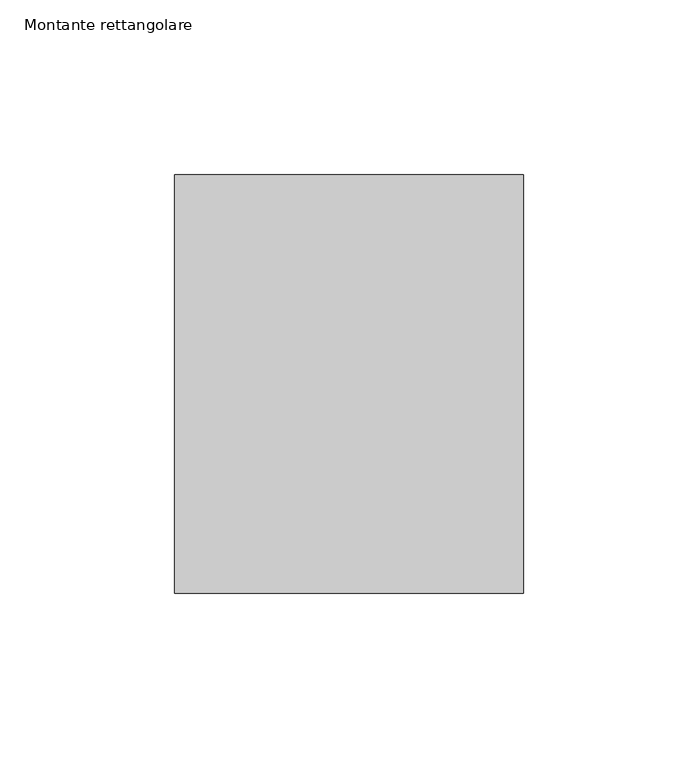
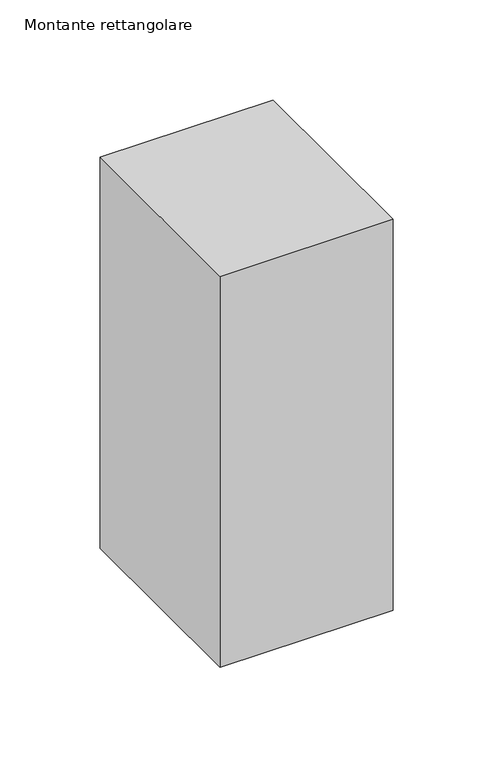
"""IFC4 building model written with IfcOpenShell, lengths in millimetres: member geometry, Montante rettangolare."""

from ifc_helpers import new_model, si_unit, frame, origin, place, context, project, spatial, polyline, outline, extrude, source, transform, mapped, element, save


def montante_rettangolare_17c808ce(model_context):
    return source(origin(), model_context, "Body", "SweptSolid", [
        extrude(outline(polyline([(50.0, 60.0), (50.0, -60.0), (-50.0, -60.0), (-50.0, 60.0), (50.0, 60.0)])), frame((0.0, 0.0, -238.7112335), z_axis=(0.0, 0.0, 1.0), x_axis=(1.0, 0.0, 0.0)), (0.0, 0.0, 1.0), 238.7112335),
    ])


if __name__ == "__main__":
    model = new_model("IFC4")
    model_context = context("Model", 3, world=origin())
    ifc_project = project(units=[si_unit("LENGTHUNIT", "METRE", prefix="MILLI")], contexts=[model_context])
    site = spatial("IfcSite", under=ifc_project)
    building = spatial("IfcBuilding", under=site)
    placement = place(None, origin())
    montante_rettangolare_shape = montante_rettangolare_17c808ce(model_context)
    element("IfcMember", 1, ObjectType="Montante rettangolare", at=placement, inside=building, context=model_context, shape_type="MappedRepresentation", body=[
        mapped(montante_rettangolare_shape, transform((0.0, 0.0, 0.0), x_axis=(1.0, 0.0, 0.0), y_axis=(0.0, 1.0, 0.0), z_axis=(0.0, 0.0, 1.0))),
    ])
    save(model, "model.ifc")
